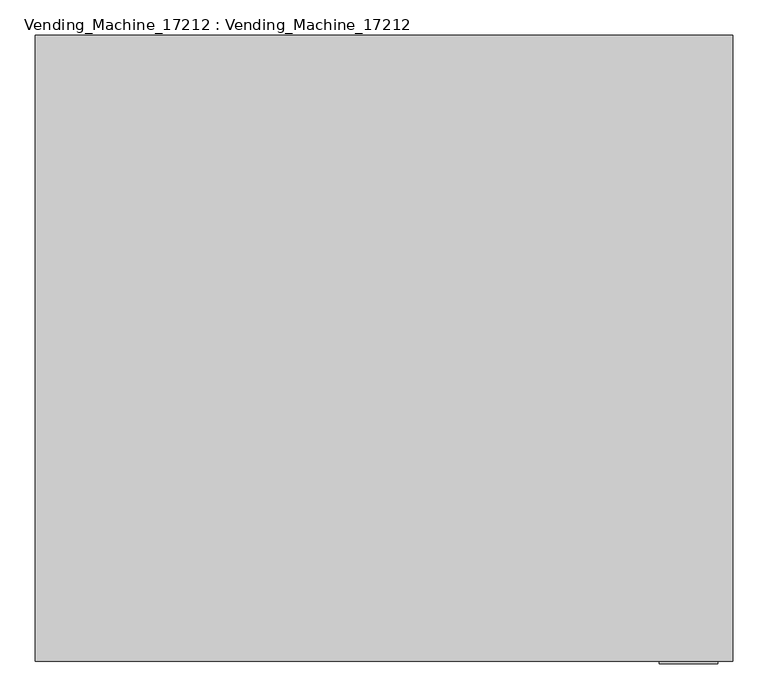
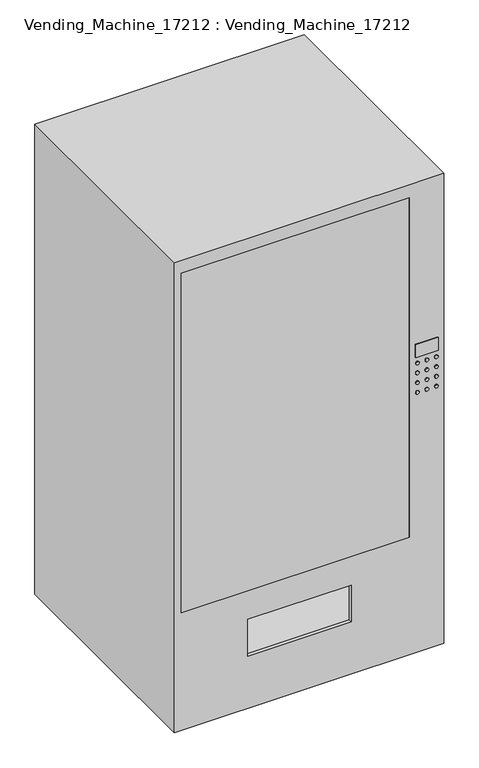
"""IFC4 building model written with IfcOpenShell, lengths in millimetres: proxy geometry, Vending_Machine_17212 : Vending_Machine_17212."""

from ifc_helpers import new_model, si_unit, point, frame, frame_2d, origin, place, context, project, spatial, polyline, circle_curve, trimmed, segment, composite_curve, outline, extrude, faceted_brep, source, transform, mapped, element, save


def vending_machine_17212_vending_machine_17212_dc9a8079(model_context):
    return source(origin(), model_context, "Body", "SolidModel", [
        extrude(outline(polyline([(-127.0, -889.0), (-964.4026515, -889.0), (-964.4026515, -876.3), (-127.0, -876.3), (-127.0, -889.0)])), frame((0.0, 0.0, 457.2), z_axis=(0.0, 0.0, 1.0), x_axis=(1.0, 0.0, 0.0)), (0.0, 0.0, 1.0), 1320.8),
        extrude(outline(polyline([(-21.6137294, -892.175), (-104.1637294, -892.175), (-104.1637294, -889.0), (-21.6137294, -889.0), (-21.6137294, -892.175)])), frame((0.0, 0.0, 1149.6224346), z_axis=(0.0, 0.0, 1.0), x_axis=(1.0, 0.0, 0.0)), (0.0, 0.0, 1.0), 50.8),
        extrude(outline(composite_curve([segment(trimmed(circle_curve(frame_2d((1012.3239185, -62.5721288)), 6.35), [point((1012.3239185, -68.9221288))], [point((1012.3239185, -56.2221288))], False, "CARTESIAN"), True, "CONTINUOUS"), segment(trimmed(circle_curve(frame_2d((1012.3239185, -62.5721288)), 6.35), [point((1012.3239185, -56.2221288))], [point((1012.3239185, -68.9221288))], False, "CARTESIAN"), True, "CONTINUOUS")], self_intersect=False)), frame((0.0, -892.175, 0.0), z_axis=(0.0, 1.0, 0.0), x_axis=(0.0, 0.0, 1.0)), (0.0, 0.0, 1.0), 3.175),
        extrude(outline(composite_curve([segment(trimmed(circle_curve(frame_2d((1012.3239185, -27.6471288)), 6.35), [point((1012.3239185, -33.9971288))], [point((1012.3239185, -21.2971288))], False, "CARTESIAN"), True, "CONTINUOUS"), segment(trimmed(circle_curve(frame_2d((1012.3239185, -27.6471288)), 6.35), [point((1012.3239185, -21.2971288))], [point((1012.3239185, -33.9971288))], False, "CARTESIAN"), True, "CONTINUOUS")], self_intersect=False)), frame((0.0, -892.175, 0.0), z_axis=(0.0, 1.0, 0.0), x_axis=(0.0, 0.0, 1.0)), (0.0, 0.0, 1.0), 3.175),
        extrude(outline(composite_curve([segment(trimmed(circle_curve(frame_2d((1012.3239185, -97.4971288)), 6.35), [point((1012.3239185, -103.8471288))], [point((1012.3239185, -91.1471288))], False, "CARTESIAN"), True, "CONTINUOUS"), segment(trimmed(circle_curve(frame_2d((1012.3239185, -97.4971288)), 6.35), [point((1012.3239185, -91.1471288))], [point((1012.3239185, -103.8471288))], False, "CARTESIAN"), True, "CONTINUOUS")], self_intersect=False)), frame((0.0, -892.175, 0.0), z_axis=(0.0, 1.0, 0.0), x_axis=(0.0, 0.0, 1.0)), (0.0, 0.0, 1.0), 3.175),
        extrude(outline(composite_curve([segment(trimmed(circle_curve(frame_2d((1050.4239185, -62.5721288)), 6.35), [point((1050.4239185, -68.9221288))], [point((1050.4239185, -56.2221288))], False, "CARTESIAN"), True, "CONTINUOUS"), segment(trimmed(circle_curve(frame_2d((1050.4239185, -62.5721288)), 6.35), [point((1050.4239185, -56.2221288))], [point((1050.4239185, -68.9221288))], False, "CARTESIAN"), True, "CONTINUOUS")], self_intersect=False)), frame((0.0, -892.175, 0.0), z_axis=(0.0, 1.0, 0.0), x_axis=(0.0, 0.0, 1.0)), (0.0, 0.0, 1.0), 3.175),
        extrude(outline(composite_curve([segment(trimmed(circle_curve(frame_2d((1050.4239185, -27.6471288)), 6.35), [point((1050.4239185, -33.9971288))], [point((1050.4239185, -21.2971288))], False, "CARTESIAN"), True, "CONTINUOUS"), segment(trimmed(circle_curve(frame_2d((1050.4239185, -27.6471288)), 6.35), [point((1050.4239185, -21.2971288))], [point((1050.4239185, -33.9971288))], False, "CARTESIAN"), True, "CONTINUOUS")], self_intersect=False)), frame((0.0, -892.175, 0.0), z_axis=(0.0, 1.0, 0.0), x_axis=(0.0, 0.0, 1.0)), (0.0, 0.0, 1.0), 3.175),
        extrude(outline(composite_curve([segment(trimmed(circle_curve(frame_2d((1050.4239185, -97.4971288)), 6.35), [point((1050.4239185, -103.8471288))], [point((1050.4239185, -91.1471288))], False, "CARTESIAN"), True, "CONTINUOUS"), segment(trimmed(circle_curve(frame_2d((1050.4239185, -97.4971288)), 6.35), [point((1050.4239185, -91.1471288))], [point((1050.4239185, -103.8471288))], False, "CARTESIAN"), True, "CONTINUOUS")], self_intersect=False)), frame((0.0, -892.175, 0.0), z_axis=(0.0, 1.0, 0.0), x_axis=(0.0, 0.0, 1.0)), (0.0, 0.0, 1.0), 3.175),
        extrude(outline(composite_curve([segment(trimmed(circle_curve(frame_2d((1088.5239185, -62.5721288)), 6.35), [point((1088.5239185, -68.9221288))], [point((1088.5239185, -56.2221288))], False, "CARTESIAN"), True, "CONTINUOUS"), segment(trimmed(circle_curve(frame_2d((1088.5239185, -62.5721288)), 6.35), [point((1088.5239185, -56.2221288))], [point((1088.5239185, -68.9221288))], False, "CARTESIAN"), True, "CONTINUOUS")], self_intersect=False)), frame((0.0, -892.175, 0.0), z_axis=(0.0, 1.0, 0.0), x_axis=(0.0, 0.0, 1.0)), (0.0, 0.0, 1.0), 3.175),
        extrude(outline(composite_curve([segment(trimmed(circle_curve(frame_2d((1088.5239185, -27.6471288)), 6.35), [point((1088.5239185, -33.9971288))], [point((1088.5239185, -21.2971288))], False, "CARTESIAN"), True, "CONTINUOUS"), segment(trimmed(circle_curve(frame_2d((1088.5239185, -27.6471288)), 6.35), [point((1088.5239185, -21.2971288))], [point((1088.5239185, -33.9971288))], False, "CARTESIAN"), True, "CONTINUOUS")], self_intersect=False)), frame((0.0, -892.175, 0.0), z_axis=(0.0, 1.0, 0.0), x_axis=(0.0, 0.0, 1.0)), (0.0, 0.0, 1.0), 3.175),
        extrude(outline(composite_curve([segment(trimmed(circle_curve(frame_2d((1088.5239185, -97.4971288)), 6.35), [point((1088.5239185, -103.8471288))], [point((1088.5239185, -91.1471288))], False, "CARTESIAN"), True, "CONTINUOUS"), segment(trimmed(circle_curve(frame_2d((1088.5239185, -97.4971288)), 6.35), [point((1088.5239185, -91.1471288))], [point((1088.5239185, -103.8471288))], False, "CARTESIAN"), True, "CONTINUOUS")], self_intersect=False)), frame((0.0, -892.175, 0.0), z_axis=(0.0, 1.0, 0.0), x_axis=(0.0, 0.0, 1.0)), (0.0, 0.0, 1.0), 3.175),
        extrude(outline(composite_curve([segment(trimmed(circle_curve(frame_2d((1126.6239185, -62.5721288)), 6.35), [point((1126.6239185, -68.9221288))], [point((1126.6239185, -56.2221288))], False, "CARTESIAN"), True, "CONTINUOUS"), segment(trimmed(circle_curve(frame_2d((1126.6239185, -62.5721288)), 6.35), [point((1126.6239185, -56.2221288))], [point((1126.6239185, -68.9221288))], False, "CARTESIAN"), True, "CONTINUOUS")], self_intersect=False)), frame((0.0, -892.175, 0.0), z_axis=(0.0, 1.0, 0.0), x_axis=(0.0, 0.0, 1.0)), (0.0, 0.0, 1.0), 3.175),
        extrude(outline(composite_curve([segment(trimmed(circle_curve(frame_2d((1126.6239185, -27.6471288)), 6.35), [point((1126.6239185, -33.9971288))], [point((1126.6239185, -21.2971288))], False, "CARTESIAN"), True, "CONTINUOUS"), segment(trimmed(circle_curve(frame_2d((1126.6239185, -27.6471288)), 6.35), [point((1126.6239185, -21.2971288))], [point((1126.6239185, -33.9971288))], False, "CARTESIAN"), True, "CONTINUOUS")], self_intersect=False)), frame((0.0, -892.175, 0.0), z_axis=(0.0, 1.0, 0.0), x_axis=(0.0, 0.0, 1.0)), (0.0, 0.0, 1.0), 3.175),
        extrude(outline(composite_curve([segment(trimmed(circle_curve(frame_2d((1126.6239185, -97.4971288)), 6.35), [point((1126.6239185, -103.8471288))], [point((1126.6239185, -91.1471288))], False, "CARTESIAN"), True, "CONTINUOUS"), segment(trimmed(circle_curve(frame_2d((1126.6239185, -97.4971288)), 6.35), [point((1126.6239185, -91.1471288))], [point((1126.6239185, -103.8471288))], False, "CARTESIAN"), True, "CONTINUOUS")], self_intersect=False)), frame((0.0, -892.175, 0.0), z_axis=(0.0, 1.0, 0.0), x_axis=(0.0, 0.0, 1.0)), (0.0, 0.0, 1.0), 3.175),
        faceted_brep([(-990.6, 0.0, 1828.8), (-990.6, -889.0, 1828.8), (0.0, -889.0, 1828.8), (0.0, 0.0, 1828.8), (-990.6, 0.0, 0.0), (0.0, 0.0, 0.0), (0.0, -889.0, 0.0), (-990.6, -889.0, 0.0), (-964.4026515, -889.0, 1778.0), (-127.0, -889.0, 1778.0), (-127.0, -889.0, 457.2), (-964.4026515, -889.0, 457.2), (-720.9558633, -889.0, 346.0266151), (-339.9558633, -889.0, 346.0266151), (-339.9558633, -889.0, 203.2), (-720.9558633, -889.0, 203.2), (-964.4026515, -12.0591721, 1778.0), (-127.0, -12.0591721, 1778.0), (-964.4026515, -875.6591721, 152.4), (-127.0, -875.6591721, 152.4), (-127.0, -12.0591721, 152.4), (-964.4026515, -12.0591721, 152.4), (-964.4026515, -875.6591721, 457.2), (-127.0, -875.6591721, 457.2), (-339.9558633, -875.6591721, 346.0266151), (-720.9558633, -875.6591721, 346.0266151), (-720.9558633, -875.6591721, 203.2), (-339.9558633, -875.6591721, 203.2)], [[[0, 1, 2, 3]], [[4, 5, 6, 7]], [[1, 0, 4, 7]], [[2, 1, 7, 6], [8, 9, 10, 11], [12, 13, 14, 15]], [[3, 2, 6, 5]], [[0, 3, 5, 4]], [[16, 17, 9, 8]], [[18, 19, 20, 21]], [[19, 18, 22, 23], [24, 25, 26, 27]], [[20, 19, 23, 10, 9, 17]], [[17, 16, 21, 20]], [[18, 21, 16, 8, 11, 22]], [[22, 11, 10, 23]], [[12, 25, 24, 13]], [[14, 27, 26, 15]], [[13, 24, 27, 14]], [[25, 12, 15, 26]]]),
    ])


if __name__ == "__main__":
    model = new_model("IFC4")
    model_context = context("Model", 3, world=origin())
    ifc_project = project(units=[si_unit("LENGTHUNIT", "METRE", prefix="MILLI")], contexts=[model_context])
    site = spatial("IfcSite", under=ifc_project)
    building = spatial("IfcBuilding", under=site)
    placement = place(None, origin())
    vending_machine_17212_vending_machine_17212_shape = vending_machine_17212_vending_machine_17212_dc9a8079(model_context)
    element("IfcBuildingElementProxy", 1, Name="Vending_Machine_17212 : Vending_Machine_17212", ObjectType="Vending_Machine_17212 : Vending_Machine_17212", at=placement, inside=building, context=model_context, shape_type="MappedRepresentation", body=[
        mapped(vending_machine_17212_vending_machine_17212_shape, transform((0.0, 0.0, 0.0), x_axis=(1.0, 0.0, 0.0), y_axis=(0.0, 1.0, 0.0), z_axis=(0.0, 0.0, 1.0))),
    ])
    save(model, "model.ifc")
